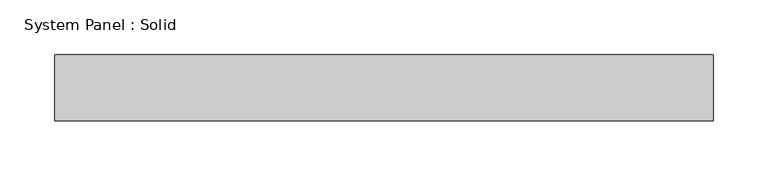
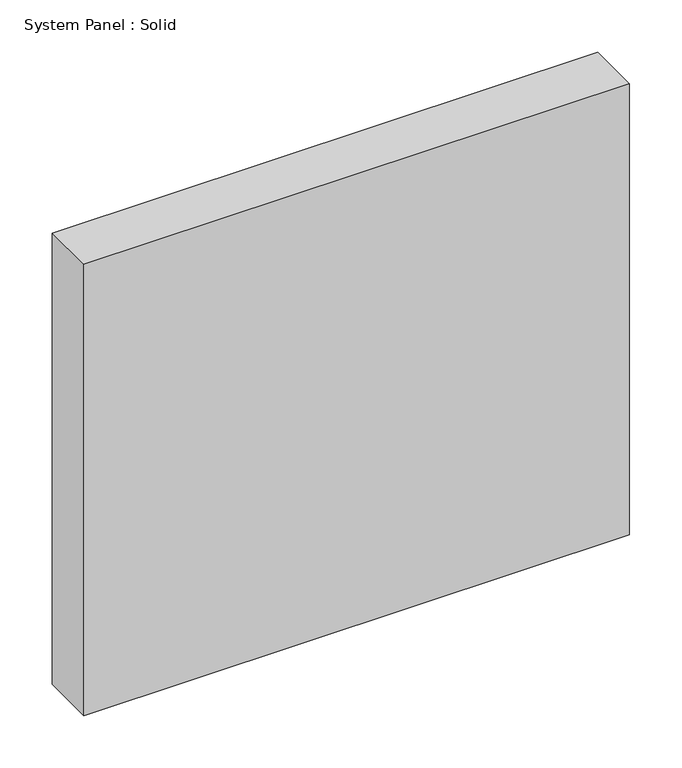
"""IFC4 building model written with IfcOpenShell, lengths in millimetres: plate geometry, System Panel : Solid."""

from ifc_helpers import new_model, si_unit, origin, origin_with_axes, place, context, project, spatial, polyline, outline, extrude, source, transform, mapped, element, save


def system_panel_solid_a1c305a8(model_context):
    return source(origin(), model_context, "Body", "SweptSolid", [
        extrude(outline(polyline([(299.9998148, -49.5), (-299.9998148, -49.5), (-299.9998148, 10.5), (299.9998148, 10.5), (299.9998148, -49.5)])), origin_with_axes(), (0.0, 0.0, 1.0), 525.0),
    ])


if __name__ == "__main__":
    model = new_model("IFC4")
    model_context = context("Model", 3, world=origin())
    ifc_project = project(units=[si_unit("LENGTHUNIT", "METRE", prefix="MILLI")], contexts=[model_context])
    site = spatial("IfcSite", under=ifc_project)
    building = spatial("IfcBuilding", under=site)
    placement = place(None, origin())
    system_panel_solid_shape = system_panel_solid_a1c305a8(model_context)
    element("IfcPlate", 1, ObjectType="System Panel : Solid", at=placement, inside=building, context=model_context, shape_type="MappedRepresentation", body=[
        mapped(system_panel_solid_shape, transform((0.0, 0.0, 0.0), x_axis=(1.0, 0.0, 0.0), y_axis=(0.0, 1.0, 0.0), z_axis=(0.0, 0.0, 1.0))),
    ])
    save(model, "model.ifc")
